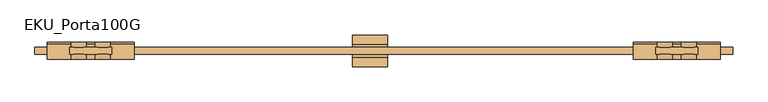
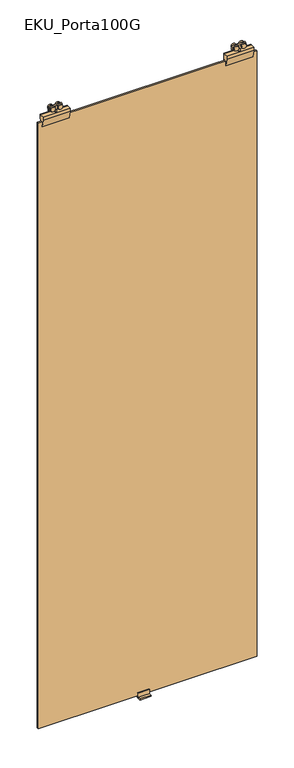
"""IFC4 building model written with IfcOpenShell, lengths in millimetres: door geometry, EKU_Porta100G."""

import ifcopenshell
import ifcopenshell.guid

model = None  # the IFC model being written
_history = None  # IfcOwnerHistory: only IFC2X3 demands one
_inside = {}  # id of a spatial element -> (the spatial element, [elements in it])
_under = {}  # id of a project, library or spatial element -> (it, [spatial elements below it])
_declared = {}  # id of a project -> (the project, [libraries it declares])
_typed = {}  # id of a type object -> (the type object, [elements of that type])
_made_of = {}  # id of a material, layer set ... -> (it, [elements and type objects made of it])


def new_model(schema):
    """Start an empty IFC model of exactly this schema.

    Asked for "IFC4X3", IfcOpenShell would pick the latest addendum, in which some entities
    have other attributes; the version numbers below select the first issue.
    IFC2X3 requires an IfcOwnerHistory on every rooted entity: one is made here for all.
    """
    global model, _history
    if schema == "IFC4X3":
        model = ifcopenshell.file(schema_version=(4, 3, 0, 0))
    else:
        model = ifcopenshell.file(schema=schema)
    _inside.clear()
    _under.clear()
    _declared.clear()
    _typed.clear()
    _made_of.clear()
    _history = None
    if model.schema == "IFC2X3":
        org = make("IfcOrganization", Name="unknown")
        user = make(
            "IfcPersonAndOrganization",
            ThePerson=make("IfcPerson", FamilyName="unknown"),
            TheOrganization=org,
        )
        app = make(
            "IfcApplication",
            ApplicationDeveloper=org,
            Version="unknown",
            ApplicationFullName="unknown",
            ApplicationIdentifier="unknown",
        )
        _history = make(
            "IfcOwnerHistory",
            OwningUser=user,
            OwningApplication=app,
            ChangeAction="ADDED",
            CreationDate=0,
        )
    return model


def make(cls, **values):
    """One entity of the class cls with the attributes given. An attribute that is None is left unset."""
    return model.create_entity(
        cls, **{name: value for name, value in values.items() if value is not None}
    )


def rooted(cls, **values):
    """An entity with a GlobalId (a new one), such as an element, a storey or a relation."""
    return make(cls, GlobalId=ifcopenshell.guid.new(), OwnerHistory=_history, **values)


def si_unit(unit_type, name, prefix=None):
    """IfcSIUnit, for example si_unit("LENGTHUNIT", "METRE", prefix="MILLI")."""
    return make("IfcSIUnit", UnitType=unit_type, Prefix=prefix, Name=name)


def assignment(units):
    """IfcUnitAssignment: the units of a project."""
    return None if units is None else make("IfcUnitAssignment", Units=units)


def point(xyz):
    """IfcCartesianPoint."""
    return None if xyz is None else make("IfcCartesianPoint", Coordinates=xyz)


def direction(xyz):
    """IfcDirection."""
    return None if xyz is None else make("IfcDirection", DirectionRatios=xyz)


def frame(location, z_axis=None, x_axis=None):
    """IfcAxis2Placement3D, a coordinate frame: its origin and axes. An axis left out is left unset."""
    return make(
        "IfcAxis2Placement3D",
        Location=point(location),
        Axis=direction(z_axis),
        RefDirection=direction(x_axis),
    )


def frame_2d(location, x_axis=None):
    """IfcAxis2Placement2D, a coordinate frame in the plane: its origin and x axis."""
    return make(
        "IfcAxis2Placement2D", Location=point(location), RefDirection=direction(x_axis)
    )


def origin():
    """The frame at (0, 0, 0) with its axes left unset."""
    return frame((0.0, 0.0, 0.0))


def place(relative_to, where):
    """IfcLocalPlacement: puts the frame where relative to a parent placement (None: the world)."""
    return make(
        "IfcLocalPlacement", PlacementRelTo=relative_to, RelativePlacement=where
    )


def context(
    kind, dimensions, precision=None, world=None, true_north=None, identifier=None
):
    """IfcGeometricRepresentationContext, for example the 3D "Model" context."""
    return make(
        "IfcGeometricRepresentationContext",
        ContextIdentifier=identifier,
        ContextType=kind,
        CoordinateSpaceDimension=dimensions,
        Precision=precision,
        WorldCoordinateSystem=world,
        TrueNorth=true_north,
    )


def project(units=None, contexts=None):
    """IfcProject with its units and contexts."""
    return rooted(
        "IfcProject",
        Name="project",
        RepresentationContexts=contexts,
        UnitsInContext=assignment(units),
    )


def spatial(cls, under=None, at=None, **own):
    """A site, building, storey or space (cls), placed at a placement, below another one or the project."""
    s = rooted(cls, ObjectPlacement=at, **own)
    if under is not None:
        _under.setdefault(under.id(), (under, []))[1].append(s)
    return s


def polyline(points):
    """IfcPolyline through the points."""
    return make("IfcPolyline", Points=[point(p) for p in points])


def circle_curve(where, radius):
    """IfcCircle in the frame where."""
    return make("IfcCircle", Position=where, Radius=radius)


def trimmed(basis, trim1, trim2, sense, master):
    """IfcTrimmedCurve: the piece of a basis curve between two trims."""
    return make(
        "IfcTrimmedCurve",
        BasisCurve=basis,
        Trim1=trim1,
        Trim2=trim2,
        SenseAgreement=sense,
        MasterRepresentation=master,
    )


def segment(curve, same_sense, transition):
    """IfcCompositeCurveSegment."""
    return make(
        "IfcCompositeCurveSegment",
        Transition=transition,
        SameSense=same_sense,
        ParentCurve=curve,
    )


def composite_curve(segments, self_intersect=None):
    """IfcCompositeCurve: segments joined end to end."""
    return make("IfcCompositeCurve", Segments=segments, SelfIntersect=self_intersect)


def outline(outer, holes=None, kind="AREA"):
    """IfcArbitraryClosedProfileDef: a profile drawn as a closed curve; with holes, ...WithVoids."""
    if holes is None:
        return make("IfcArbitraryClosedProfileDef", ProfileType=kind, OuterCurve=outer)
    return make(
        "IfcArbitraryProfileDefWithVoids",
        ProfileType=kind,
        OuterCurve=outer,
        InnerCurves=holes,
    )


def extrude(swept, where, along, depth):
    """IfcExtrudedAreaSolid: the profile swept, set in the frame where, extruded along a direction by depth."""
    return make(
        "IfcExtrudedAreaSolid",
        SweptArea=swept,
        Position=where,
        ExtrudedDirection=direction(along),
        Depth=depth,
    )


def shape(context_of_items, identifier, shape_type, items):
    """IfcShapeRepresentation: the items that make up one representation, for example the "Body"."""
    return make(
        "IfcShapeRepresentation",
        ContextOfItems=context_of_items,
        RepresentationIdentifier=identifier,
        RepresentationType=shape_type,
        Items=items,
    )


def source(mapping_origin, context_of_items, identifier, shape_type, items):
    """IfcRepresentationMap: a shape defined once, which mapped items show again and again."""
    return make(
        "IfcRepresentationMap",
        MappingOrigin=mapping_origin,
        MappedRepresentation=shape(context_of_items, identifier, shape_type, items),
    )


def transform(
    local_origin,
    x_axis=None,
    y_axis=None,
    z_axis=None,
    scale=None,
    scale2=None,
    scale3=None,
    uniform=True,
):
    """IfcCartesianTransformationOperator3D, or its non-uniform kind. x_axis, y_axis, z_axis: its Axis1, 2, 3."""
    if uniform:
        return make(
            "IfcCartesianTransformationOperator3D",
            Axis1=direction(x_axis),
            Axis2=direction(y_axis),
            LocalOrigin=point(local_origin),
            Scale=scale,
            Axis3=direction(z_axis),
        )
    return make(
        "IfcCartesianTransformationOperator3DnonUniform",
        Axis1=direction(x_axis),
        Axis2=direction(y_axis),
        LocalOrigin=point(local_origin),
        Scale=scale,
        Axis3=direction(z_axis),
        Scale2=scale2,
        Scale3=scale3,
    )


def mapped(mapping_source, mapping_target):
    """IfcMappedItem: shows the shape of a source again, moved by a transform."""
    return make(
        "IfcMappedItem", MappingSource=mapping_source, MappingTarget=mapping_target
    )


def made_of(thing, what):
    """Note that an element or type object is made of a material, layer set ...; save() writes the relation."""
    if what is not None:
        _made_of.setdefault(what.id(), (what, []))[1].append(thing)
    return thing


def element(
    cls,
    number,
    at=None,
    inside=None,
    cuts=None,
    type_object=None,
    material=None,
    context=None,
    identifier="Body",
    shape_type=None,
    held_by="IfcProductDefinitionShape",
    body=None,
    shapes=None,
    **own,
):
    """One element of the class cls, such as IfcWall. Its Tag is "e" and its number.

    at: its placement. inside: the storey or other place that contains it. cuts: it is an
    opening in that element (IfcRelVoidsElement). A single representation is given by context,
    identifier, shape_type and body (its items); several are given by shapes. held_by: the class
    of the entity that holds the representations. save() writes the other relations.
    """
    e = rooted(cls, Tag="e%d" % number, ObjectPlacement=at, **own)
    if body is not None:
        shapes = [shape(context, identifier, shape_type, body)]
    if shapes is not None:
        e.Representation = make(held_by, Representations=shapes)
    if inside is not None:
        _inside.setdefault(inside.id(), (inside, []))[1].append(e)
    if cuts is not None:
        rooted(
            "IfcRelVoidsElement", RelatingBuildingElement=cuts, RelatedOpeningElement=e
        )
    if type_object is not None:
        _typed.setdefault(type_object.id(), (type_object, []))[1].append(e)
    return made_of(e, material)


def aggregate(whole, parts):
    """IfcRelAggregates: a whole, such as a stair, and the parts it consists of."""
    return rooted("IfcRelAggregates", RelatingObject=whole, RelatedObjects=parts)


def save(model, path):
    """Write the relations noted so far, then the file.

    IfcRelAggregates (storeys below a building ...), IfcRelContainedInSpatialStructure (elements
    in a storey), IfcRelDefinesByType, IfcRelAssociatesMaterial and IfcRelDeclares: one each for
    every whole, place, type object, material and project.
    """
    for whole, parts in _under.values():
        aggregate(whole, parts)
    for where, things in _inside.values():
        rooted(
            "IfcRelContainedInSpatialStructure",
            RelatedElements=things,
            RelatingStructure=where,
        )
    for kind, things in _typed.values():
        rooted("IfcRelDefinesByType", RelatedObjects=things, RelatingType=kind)
    for what, things in _made_of.values():
        rooted("IfcRelAssociatesMaterial", RelatedObjects=things, RelatingMaterial=what)
    for by, libraries in _declared.values():
        rooted("IfcRelDeclares", RelatingContext=by, RelatedDefinitions=libraries)
    model.write(path)


def eku_porta100g_a3fff1c5(model_context):
    return source(origin(), model_context, "Body", "SweptSolid", [
        extrude(outline(polyline([(487.5, -12.25), (487.5, -2.25), (547.5, -2.25), (547.5, -12.25), (487.5, -12.25)])), frame((0.0, 0.0, 2972.4593609), z_axis=(0.0, 0.0, 1.0), x_axis=(1.0, 0.0, 0.0)), (0.0, 0.0, 1.0), 18.5406391),
        extrude(outline(composite_curve([segment(trimmed(circle_curve(frame_2d((2983.5071727, 500.3437193)), 11.0), [point((2983.5071727, 511.3437193))], [point((2983.5071727, 489.3437193))], False, "CARTESIAN"), True, "CONTINUOUS"), segment(trimmed(circle_curve(frame_2d((2983.5071727, 500.3437193)), 11.0), [point((2983.5071727, 489.3437193))], [point((2983.5071727, 511.3437193))], False, "CARTESIAN"), True, "CONTINUOUS")], self_intersect=False)), frame((0.0, -2.25, 0.0), z_axis=(0.0, 1.0, 0.0), x_axis=(0.0, 0.0, 1.0)), (0.0, 0.0, 1.0), 7.0),
        extrude(outline(composite_curve([segment(trimmed(circle_curve(frame_2d((2983.5, 500.3437193)), 11.0), [point((2983.5, 511.3437193))], [point((2983.5, 489.3437193))], False, "CARTESIAN"), True, "CONTINUOUS"), segment(trimmed(circle_curve(frame_2d((2983.5, 500.3437193)), 11.0), [point((2983.5, 489.3437193))], [point((2983.5, 511.3437193))], False, "CARTESIAN"), True, "CONTINUOUS")], self_intersect=False)), frame((0.0, -19.25, 0.0), z_axis=(0.0, 1.0, 0.0), x_axis=(0.0, 0.0, 1.0)), (0.0, 0.0, 1.0), 7.0),
        extrude(outline(composite_curve([segment(trimmed(circle_curve(frame_2d((2983.5071727, 534.7187193)), 11.0), [point((2983.5071727, 545.7187193))], [point((2983.5071727, 523.7187193))], False, "CARTESIAN"), True, "CONTINUOUS"), segment(trimmed(circle_curve(frame_2d((2983.5071727, 534.7187193)), 11.0), [point((2983.5071727, 523.7187193))], [point((2983.5071727, 545.7187193))], False, "CARTESIAN"), True, "CONTINUOUS")], self_intersect=False)), frame((0.0, -2.25, 0.0), z_axis=(0.0, 1.0, 0.0), x_axis=(0.0, 0.0, 1.0)), (0.0, 0.0, 1.0), 7.0),
        extrude(outline(composite_curve([segment(trimmed(circle_curve(frame_2d((2983.5, 534.7187193)), 11.0), [point((2983.5, 545.7187193))], [point((2983.5, 523.7187193))], False, "CARTESIAN"), True, "CONTINUOUS"), segment(trimmed(circle_curve(frame_2d((2983.5, 534.7187193)), 11.0), [point((2983.5, 523.7187193))], [point((2983.5, 545.7187193))], False, "CARTESIAN"), True, "CONTINUOUS")], self_intersect=False)), frame((0.0, -19.25, 0.0), z_axis=(0.0, 1.0, 0.0), x_axis=(0.0, 0.0, 1.0)), (0.0, 0.0, 1.0), 7.0),
        extrude(outline(polyline([(513.5, -2.25), (521.5, -2.25), (521.5, -12.25), (513.5, -12.25), (513.5, -2.25)])), frame((0.0, 0.0, 2961.0), z_axis=(0.0, 0.0, 1.0), x_axis=(1.0, 0.0, 0.0)), (0.0, 0.0, 1.0), 30.0),
        extrude(outline(polyline([(-19.25, 2961.0), (2.442747, 2961.0), (4.75, 2961.0), (4.75, 2947.0), (-2.25, 2912.0), (-2.25, 2934.0), (-12.25, 2934.0), (-12.25, 2912.0), (-19.25, 2947.0), (-19.25, 2961.0)])), frame((455.5, 0.0, 0.0), z_axis=(1.0, 0.0, 0.0), x_axis=(0.0, 1.0, 0.0)), (0.0, 0.0, 1.0), 124.0),
        extrude(outline(polyline([(-292.5, -12.25), (-352.5, -12.25), (-352.5, -2.25), (-292.5, -2.25), (-292.5, -12.25)])), frame((0.0, 0.0, 2972.4593609), z_axis=(0.0, 0.0, 1.0), x_axis=(1.0, 0.0, 0.0)), (0.0, 0.0, 1.0), 18.5406391),
        extrude(outline(composite_curve([segment(trimmed(circle_curve(frame_2d((2983.5071727, -305.3437193)), 11.0), [point((2983.5071727, -316.3437193))], [point((2983.5071727, -294.3437193))], False, "CARTESIAN"), True, "CONTINUOUS"), segment(trimmed(circle_curve(frame_2d((2983.5071727, -305.3437193)), 11.0), [point((2983.5071727, -294.3437193))], [point((2983.5071727, -316.3437193))], False, "CARTESIAN"), True, "CONTINUOUS")], self_intersect=False)), frame((0.0, -2.25, 0.0), z_axis=(0.0, 1.0, 0.0), x_axis=(0.0, 0.0, 1.0)), (0.0, 0.0, 1.0), 7.0),
        extrude(outline(composite_curve([segment(trimmed(circle_curve(frame_2d((2983.5, -305.3437193)), 11.0), [point((2983.5, -316.3437193))], [point((2983.5, -294.3437193))], False, "CARTESIAN"), True, "CONTINUOUS"), segment(trimmed(circle_curve(frame_2d((2983.5, -305.3437193)), 11.0), [point((2983.5, -294.3437193))], [point((2983.5, -316.3437193))], False, "CARTESIAN"), True, "CONTINUOUS")], self_intersect=False)), frame((0.0, -19.25, 0.0), z_axis=(0.0, 1.0, 0.0), x_axis=(0.0, 0.0, 1.0)), (0.0, 0.0, 1.0), 7.0),
        extrude(outline(composite_curve([segment(trimmed(circle_curve(frame_2d((2983.5071727, -339.7187193)), 11.0), [point((2983.5071727, -350.7187193))], [point((2983.5071727, -328.7187193))], False, "CARTESIAN"), True, "CONTINUOUS"), segment(trimmed(circle_curve(frame_2d((2983.5071727, -339.7187193)), 11.0), [point((2983.5071727, -328.7187193))], [point((2983.5071727, -350.7187193))], False, "CARTESIAN"), True, "CONTINUOUS")], self_intersect=False)), frame((0.0, -2.25, 0.0), z_axis=(0.0, 1.0, 0.0), x_axis=(0.0, 0.0, 1.0)), (0.0, 0.0, 1.0), 7.0),
        extrude(outline(composite_curve([segment(trimmed(circle_curve(frame_2d((2983.5, -339.7187193)), 11.0), [point((2983.5, -350.7187193))], [point((2983.5, -328.7187193))], False, "CARTESIAN"), True, "CONTINUOUS"), segment(trimmed(circle_curve(frame_2d((2983.5, -339.7187193)), 11.0), [point((2983.5, -328.7187193))], [point((2983.5, -350.7187193))], False, "CARTESIAN"), True, "CONTINUOUS")], self_intersect=False)), frame((0.0, -19.25, 0.0), z_axis=(0.0, 1.0, 0.0), x_axis=(0.0, 0.0, 1.0)), (0.0, 0.0, 1.0), 7.0),
        extrude(outline(polyline([(-318.5, -2.25), (-318.5, -12.25), (-326.5, -12.25), (-326.5, -2.25), (-318.5, -2.25)])), frame((0.0, 0.0, 2961.0), z_axis=(0.0, 0.0, 1.0), x_axis=(1.0, 0.0, 0.0)), (0.0, 0.0, 1.0), 30.0),
        extrude(outline(polyline([(-19.25, 2961.0), (2.442747, 2961.0), (4.75, 2961.0), (4.75, 2947.0), (-2.25, 2912.0), (-2.25, 2934.0), (-12.25, 2934.0), (-12.25, 2912.0), (-19.25, 2947.0), (-19.25, 2961.0)])), frame((-384.5, 0.0, 0.0), z_axis=(1.0, 0.0, 0.0), x_axis=(0.0, 1.0, 0.0)), (0.0, 0.0, 1.0), 124.0),
        extrude(outline(polyline([(-402.5, -2.25), (597.5, -2.25), (597.5, -12.25), (-402.5, -12.25), (-402.5, -2.25)])), frame((0.0, 0.0, 10.0), z_axis=(0.0, 0.0, 1.0), x_axis=(1.0, 0.0, 0.0)), (0.0, 0.0, 1.0), 2924.0),
        extrude(outline(polyline([(15.3483682, 5.75), (15.3483682, 0.0), (-29.8483682, 0.0), (-29.8483682, 5.75), (-16.1516318, 5.75), (-16.1516318, 26.0), (-12.25, 26.0), (-12.25, 10.0), (-2.25, 10.0), (-2.25, 26.0), (1.6516318, 26.0), (1.6516318, 5.75), (15.3483682, 5.75)])), frame((52.5, 0.0, 0.0), z_axis=(1.0, 0.0, 0.0), x_axis=(0.0, 1.0, 0.0)), (0.0, 0.0, 1.0), 50.4100933),
    ])


if __name__ == "__main__":
    model = new_model("IFC4")
    model_context = context("Model", 3, world=origin())
    ifc_project = project(units=[si_unit("LENGTHUNIT", "METRE", prefix="MILLI")], contexts=[model_context])
    site = spatial("IfcSite", under=ifc_project)
    building = spatial("IfcBuilding", under=site)
    placement = place(None, origin())
    eku_porta100g_shape = eku_porta100g_a3fff1c5(model_context)
    element("IfcDoor", 1, ObjectType="EKU_Porta100G", at=placement, inside=building, context=model_context, shape_type="MappedRepresentation", body=[
        mapped(eku_porta100g_shape, transform((0.0, 0.0, 0.0), x_axis=(1.0, 0.0, 0.0), y_axis=(0.0, 1.0, 0.0), z_axis=(0.0, 0.0, 1.0))),
    ])
    save(model, "model.ifc")
